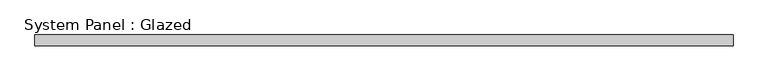
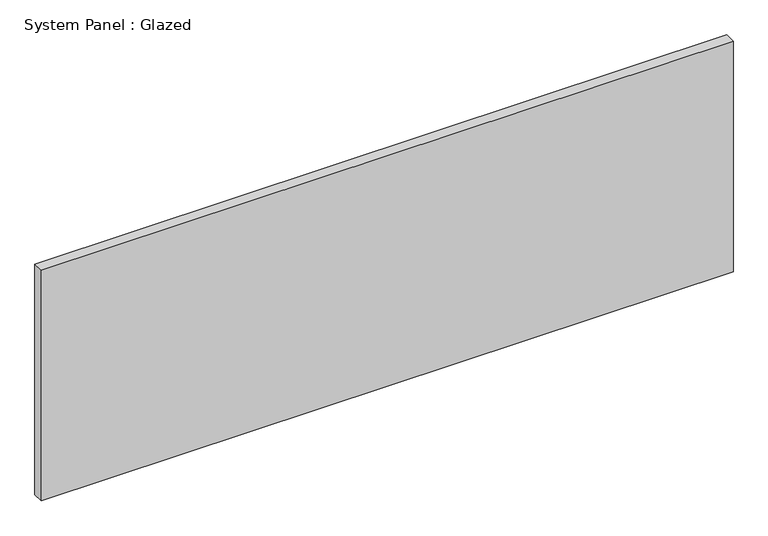
"""IFC4 building model written with IfcOpenShell, lengths in millimetres: plate geometry, System Panel : Glazed."""

from ifc_helpers import new_model, si_unit, origin, origin_with_axes, place, context, project, spatial, polyline, outline, extrude, source, transform, mapped, element, save


def system_panel_glazed_08af39fb(model_context):
    return source(origin(), model_context, "Body", "SweptSolid", [
        extrude(outline(polyline([(794.0628487, 24.5), (-794.0628487, 24.5), (-794.0628487, 49.5), (794.0628487, 49.5), (794.0628487, 24.5)])), origin_with_axes(), (0.0, 0.0, 1.0), 559.6),
    ])


if __name__ == "__main__":
    model = new_model("IFC4")
    model_context = context("Model", 3, world=origin())
    ifc_project = project(units=[si_unit("LENGTHUNIT", "METRE", prefix="MILLI")], contexts=[model_context])
    site = spatial("IfcSite", under=ifc_project)
    building = spatial("IfcBuilding", under=site)
    placement = place(None, origin())
    system_panel_glazed_shape = system_panel_glazed_08af39fb(model_context)
    element("IfcPlate", 1, ObjectType="System Panel : Glazed", at=placement, inside=building, context=model_context, shape_type="MappedRepresentation", body=[
        mapped(system_panel_glazed_shape, transform((0.0, 0.0, 0.0), x_axis=(1.0, 0.0, 0.0), y_axis=(0.0, 1.0, 0.0), z_axis=(0.0, 0.0, 1.0))),
    ])
    save(model, "model.ifc")
